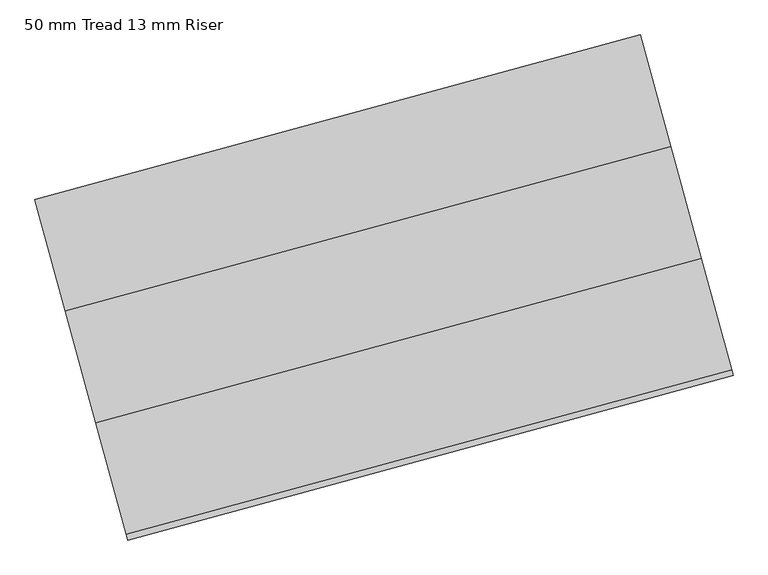
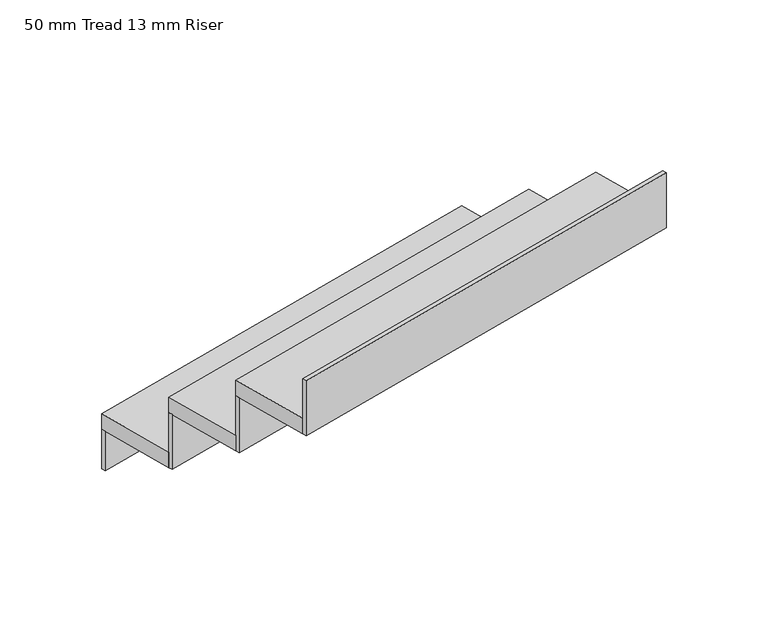
"""IFC4 building model written with IfcOpenShell, lengths in millimetres: stair flight geometry, 50 mm Tread 13 mm Riser."""

from ifc_helpers import new_model, si_unit, frame, origin, origin_with_axes, place, context, project, spatial, polyline, outline, extrude, source, transform, mapped, element, save


def stair_flight_50_mm_tread_13_mm_riser_7a6f8c29(model_context):
    return source(origin(), model_context, "Body", "SweptSolid", [
        extrude(outline(polyline([(144210.2969921, 28146.6822212), (144207.0183816, 28158.7445888), (145513.4627721, 28513.8425572), (145516.7413826, 28501.7801895), (144210.2969921, 28146.6822212)])), origin_with_axes(), (0.0, 0.0, 1.0), 127.7777778),
        extrude(outline(polyline([(145579.0349814, 28272.5952041), (144272.5905909, 27917.4972357), (144207.0183816, 28158.7445888), (145513.4627721, 28513.8425572), (145579.0349814, 28272.5952041)])), frame((0.0, 0.0, 127.7777778), z_axis=(0.0, 0.0, 1.0), x_axis=(1.0, 0.0, 0.0)), (0.0, 0.0, 1.0), 50.0),
        extrude(outline(polyline([(144275.8692014, 27905.4348681), (144272.5905909, 27917.4972357), (145579.0349814, 28272.5952041), (145582.3135918, 28260.5328365), (144275.8692014, 27905.4348681)])), frame((0.0, 0.0, 127.7777778), z_axis=(0.0, 0.0, 1.0), x_axis=(1.0, 0.0, 0.0)), (0.0, 0.0, 1.0), 177.7777778),
        extrude(outline(polyline([(145644.6071906, 28031.347851), (144338.1628002, 27676.2498826), (144272.5905909, 27917.4972357), (145579.0349814, 28272.5952041), (145644.6071906, 28031.347851)])), frame((0.0, 0.0, 305.5555556), z_axis=(0.0, 0.0, 1.0), x_axis=(1.0, 0.0, 0.0)), (0.0, 0.0, 1.0), 50.0),
        extrude(outline(polyline([(144341.4414106, 27664.187515), (144338.1628002, 27676.2498826), (145644.6071906, 28031.347851), (145647.8858011, 28019.2854834), (144341.4414106, 27664.187515)])), frame((0.0, 0.0, 305.5555556), z_axis=(0.0, 0.0, 1.0), x_axis=(1.0, 0.0, 0.0)), (0.0, 0.0, 1.0), 177.7777778),
        extrude(outline(polyline([(144407.0136199, 27422.9401619), (144403.7350094, 27435.0025296), (145710.1793999, 27790.1004979), (145713.4580103, 27778.0381303), (144407.0136199, 27422.9401619)])), frame((0.0, 0.0, 483.3333333), z_axis=(0.0, 0.0, 1.0), x_axis=(1.0, 0.0, 0.0)), (0.0, 0.0, 1.0), 177.7777778),
        extrude(outline(polyline([(145710.1793999, 27790.1004979), (144403.7350094, 27435.0025296), (144338.1628002, 27676.2498826), (145644.6071906, 28031.347851), (145710.1793999, 27790.1004979)])), frame((0.0, 0.0, 483.3333333), z_axis=(0.0, 0.0, 1.0), x_axis=(1.0, 0.0, 0.0)), (0.0, 0.0, 1.0), 50.0),
    ])


if __name__ == "__main__":
    model = new_model("IFC4")
    model_context = context("Model", 3, world=origin())
    ifc_project = project(units=[si_unit("LENGTHUNIT", "METRE", prefix="MILLI")], contexts=[model_context])
    site = spatial("IfcSite", under=ifc_project)
    building = spatial("IfcBuilding", under=site)
    placement = place(None, origin())
    stair_flight_50_mm_tread_13_mm_riser_shape = stair_flight_50_mm_tread_13_mm_riser_7a6f8c29(model_context)
    element("IfcStairFlight", 1, ObjectType="50 mm Tread 13 mm Riser", at=placement, inside=building, context=model_context, shape_type="MappedRepresentation", body=[
        mapped(stair_flight_50_mm_tread_13_mm_riser_shape, transform((0.0, 0.0, 0.0), x_axis=(1.0, 0.0, 0.0), y_axis=(0.0, 1.0, 0.0), z_axis=(0.0, 0.0, 1.0))),
    ])
    save(model, "model.ifc")
